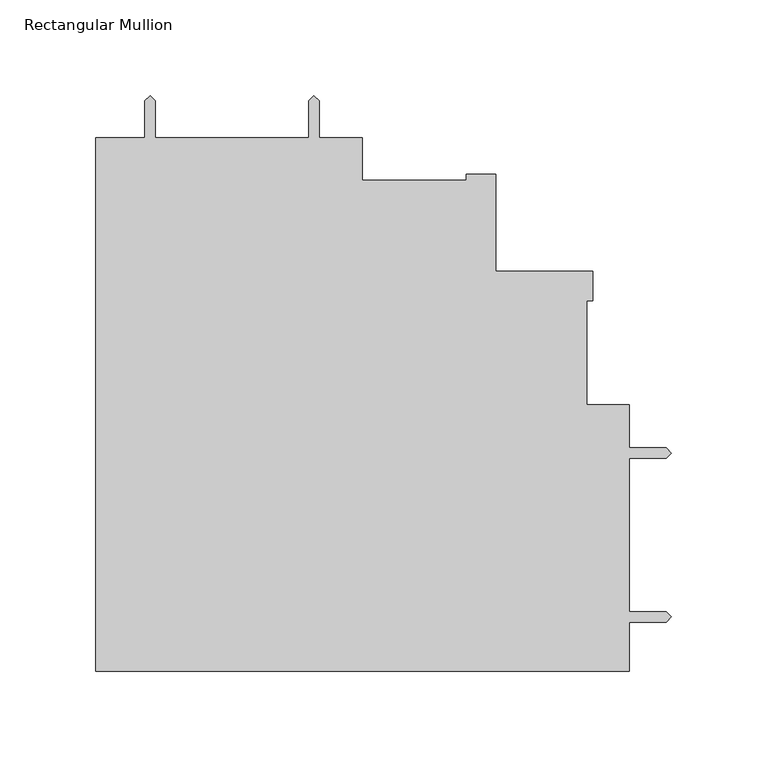
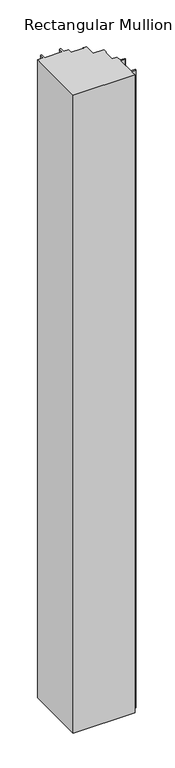
"""IFC4 building model written with IfcOpenShell, lengths in millimetres: member geometry, Rectangular Mullion."""

from ifc_helpers import new_model, si_unit, frame, origin, place, context, project, spatial, polyline, outline, extrude, source, transform, mapped, element, save


def rectangular_mullion_85599a90(model_context):
    return source(origin(), model_context, "Body", "SweptSolid", [
        extrude(outline(polyline([(-22.0979422, -95.25), (-301.4979316, -95.25), (-301.4979316, 184.15), (-275.6661273, 184.15), (-275.6661273, 203.5047396), (-272.9229355, 206.2479313), (-270.1797298, 203.5047256), (-270.1797298, 184.15), (-189.9411323, 184.15), (-189.9411323, 203.5047256), (-187.1979209, 206.247951), (-184.4547348, 203.5047256), (-184.4547348, 184.0814953), (-161.797638, 184.0814953), (-161.797638, 161.925115), (-107.3149404, 161.925115), (-107.3149404, 165.1000018), (-91.9479422, 165.1000018), (-91.9479422, 144.4498), (-91.9479422, 114.3), (-41.1479422, 114.3), (-41.1479422, 98.933), (-44.322829, 98.933), (-44.322829, 89.1520129), (-44.322829, 44.4500056), (-22.0979422, 44.4500056), (-22.0979422, 21.7932056), (-2.7432184, 21.7932056), (0.0, 19.0500265), (-2.7432184, 16.3068081), (-22.0979422, 16.3068081), (-22.0979422, -63.9317894), (-2.7432184, -63.9317894), (0.0, -66.6749685), (-2.7432184, -69.4181869), (-22.0979422, -69.4181869), (-22.0979422, -95.25)])), frame((0.0, 0.0, -3048.0), z_axis=(0.0, 0.0, 1.0), x_axis=(1.0, 0.0, 0.0)), (0.0, 0.0, 1.0), 3048.0),
    ])


if __name__ == "__main__":
    model = new_model("IFC4")
    model_context = context("Model", 3, world=origin())
    ifc_project = project(units=[si_unit("LENGTHUNIT", "METRE", prefix="MILLI")], contexts=[model_context])
    site = spatial("IfcSite", under=ifc_project)
    building = spatial("IfcBuilding", under=site)
    placement = place(None, origin())
    rectangular_mullion_shape = rectangular_mullion_85599a90(model_context)
    element("IfcMember", 1, ObjectType="Rectangular Mullion", at=placement, inside=building, context=model_context, shape_type="MappedRepresentation", body=[
        mapped(rectangular_mullion_shape, transform((0.0, 0.0, 0.0), x_axis=(1.0, 0.0, 0.0), y_axis=(0.0, 1.0, 0.0), z_axis=(0.0, 0.0, 1.0))),
    ])
    save(model, "model.ifc")
